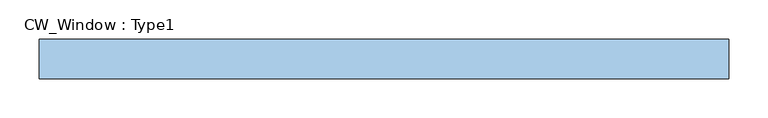
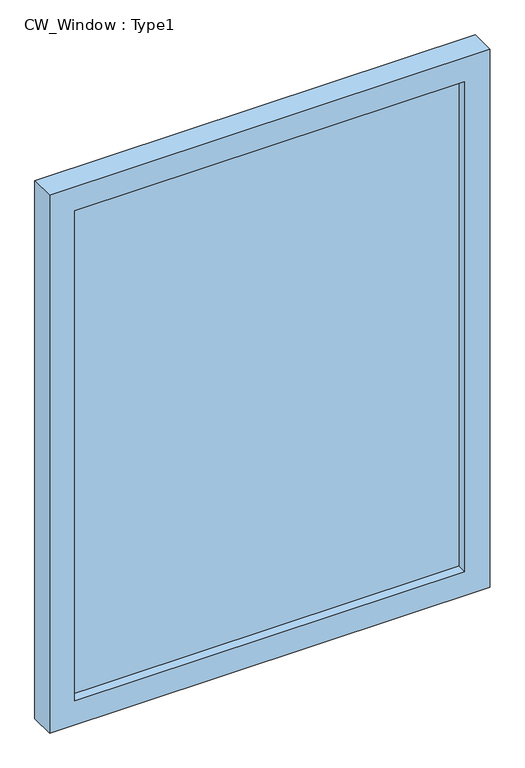
"""IFC4 building model written with IfcOpenShell, lengths in millimetres: window geometry, CW_Window : Type1."""

from ifc_helpers import new_model, si_unit, frame, origin, place, context, project, spatial, polyline, outline, extrude, source, transform, mapped, element, save


def cw_window_type1_f0edeb6d(model_context):
    return source(origin(), model_context, "Body", "SweptSolid", [
        extrude(outline(polyline([(1140.8833333, -442.11875), (0.0, -442.11875), (0.0, 442.11875), (1140.8833333, 442.11875), (1140.8833333, -442.11875)]), holes=[polyline([(1090.0833333, -391.31875), (1090.0833333, 391.31875), (50.8, 391.31875), (50.8, -391.31875), (1090.0833333, -391.31875)])]), frame((0.0, -50.8, 0.0), z_axis=(0.0, 1.0, 0.0), x_axis=(0.0, 0.0, 1.0)), (0.0, 0.0, 1.0), 50.8),
        extrude(outline(polyline([(391.31875, -31.75), (-391.31875, -31.75), (-391.31875, -19.05), (391.31875, -19.05), (391.31875, -31.75)])), frame((0.0, 0.0, 50.8), z_axis=(0.0, 0.0, 1.0), x_axis=(1.0, 0.0, 0.0)), (0.0, 0.0, 1.0), 1039.2833333),
    ])


if __name__ == "__main__":
    model = new_model("IFC4")
    model_context = context("Model", 3, world=origin())
    ifc_project = project(units=[si_unit("LENGTHUNIT", "METRE", prefix="MILLI")], contexts=[model_context])
    site = spatial("IfcSite", under=ifc_project)
    building = spatial("IfcBuilding", under=site)
    placement = place(None, origin())
    cw_window_type1_shape = cw_window_type1_f0edeb6d(model_context)
    element("IfcWindow", 1, ObjectType="CW_Window : Type1", at=placement, inside=building, context=model_context, shape_type="MappedRepresentation", body=[
        mapped(cw_window_type1_shape, transform((0.0, 0.0, 0.0), x_axis=(1.0, 0.0, 0.0), y_axis=(0.0, 1.0, 0.0), z_axis=(0.0, 0.0, 1.0))),
    ])
    save(model, "model.ifc")
